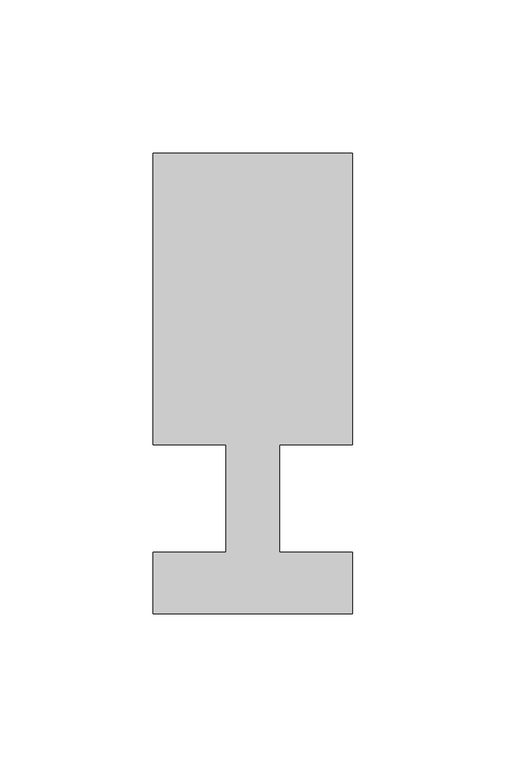
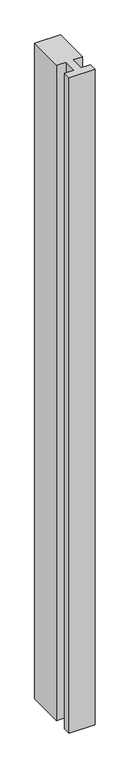
"""IFC4 building model written with IfcOpenShell, lengths in millimetres: member geometry."""

import ifcopenshell
import ifcopenshell.guid

model = None  # the IFC model being written
_history = None  # IfcOwnerHistory: only IFC2X3 demands one
_inside = {}  # id of a spatial element -> (the spatial element, [elements in it])
_under = {}  # id of a project, library or spatial element -> (it, [spatial elements below it])
_declared = {}  # id of a project -> (the project, [libraries it declares])
_typed = {}  # id of a type object -> (the type object, [elements of that type])
_made_of = {}  # id of a material, layer set ... -> (it, [elements and type objects made of it])


def new_model(schema):
    """Start an empty IFC model of exactly this schema.

    Asked for "IFC4X3", IfcOpenShell would pick the latest addendum, in which some entities
    have other attributes; the version numbers below select the first issue.
    IFC2X3 requires an IfcOwnerHistory on every rooted entity: one is made here for all.
    """
    global model, _history
    if schema == "IFC4X3":
        model = ifcopenshell.file(schema_version=(4, 3, 0, 0))
    else:
        model = ifcopenshell.file(schema=schema)
    _inside.clear()
    _under.clear()
    _declared.clear()
    _typed.clear()
    _made_of.clear()
    _history = None
    if model.schema == "IFC2X3":
        org = make("IfcOrganization", Name="unknown")
        user = make(
            "IfcPersonAndOrganization",
            ThePerson=make("IfcPerson", FamilyName="unknown"),
            TheOrganization=org,
        )
        app = make(
            "IfcApplication",
            ApplicationDeveloper=org,
            Version="unknown",
            ApplicationFullName="unknown",
            ApplicationIdentifier="unknown",
        )
        _history = make(
            "IfcOwnerHistory",
            OwningUser=user,
            OwningApplication=app,
            ChangeAction="ADDED",
            CreationDate=0,
        )
    return model


def make(cls, **values):
    """One entity of the class cls with the attributes given. An attribute that is None is left unset."""
    return model.create_entity(
        cls, **{name: value for name, value in values.items() if value is not None}
    )


def rooted(cls, **values):
    """An entity with a GlobalId (a new one), such as an element, a storey or a relation."""
    return make(cls, GlobalId=ifcopenshell.guid.new(), OwnerHistory=_history, **values)


def si_unit(unit_type, name, prefix=None):
    """IfcSIUnit, for example si_unit("LENGTHUNIT", "METRE", prefix="MILLI")."""
    return make("IfcSIUnit", UnitType=unit_type, Prefix=prefix, Name=name)


def assignment(units):
    """IfcUnitAssignment: the units of a project."""
    return None if units is None else make("IfcUnitAssignment", Units=units)


def point(xyz):
    """IfcCartesianPoint."""
    return None if xyz is None else make("IfcCartesianPoint", Coordinates=xyz)


def direction(xyz):
    """IfcDirection."""
    return None if xyz is None else make("IfcDirection", DirectionRatios=xyz)


def frame(location, z_axis=None, x_axis=None):
    """IfcAxis2Placement3D, a coordinate frame: its origin and axes. An axis left out is left unset."""
    return make(
        "IfcAxis2Placement3D",
        Location=point(location),
        Axis=direction(z_axis),
        RefDirection=direction(x_axis),
    )


def origin():
    """The frame at (0, 0, 0) with its axes left unset."""
    return frame((0.0, 0.0, 0.0))


def place(relative_to, where):
    """IfcLocalPlacement: puts the frame where relative to a parent placement (None: the world)."""
    return make(
        "IfcLocalPlacement", PlacementRelTo=relative_to, RelativePlacement=where
    )


def context(
    kind, dimensions, precision=None, world=None, true_north=None, identifier=None
):
    """IfcGeometricRepresentationContext, for example the 3D "Model" context."""
    return make(
        "IfcGeometricRepresentationContext",
        ContextIdentifier=identifier,
        ContextType=kind,
        CoordinateSpaceDimension=dimensions,
        Precision=precision,
        WorldCoordinateSystem=world,
        TrueNorth=true_north,
    )


def project(units=None, contexts=None):
    """IfcProject with its units and contexts."""
    return rooted(
        "IfcProject",
        Name="project",
        RepresentationContexts=contexts,
        UnitsInContext=assignment(units),
    )


def spatial(cls, under=None, at=None, **own):
    """A site, building, storey or space (cls), placed at a placement, below another one or the project."""
    s = rooted(cls, ObjectPlacement=at, **own)
    if under is not None:
        _under.setdefault(under.id(), (under, []))[1].append(s)
    return s


def polyline(points):
    """IfcPolyline through the points."""
    return make("IfcPolyline", Points=[point(p) for p in points])


def outline(outer, holes=None, kind="AREA"):
    """IfcArbitraryClosedProfileDef: a profile drawn as a closed curve; with holes, ...WithVoids."""
    if holes is None:
        return make("IfcArbitraryClosedProfileDef", ProfileType=kind, OuterCurve=outer)
    return make(
        "IfcArbitraryProfileDefWithVoids",
        ProfileType=kind,
        OuterCurve=outer,
        InnerCurves=holes,
    )


def extrude(swept, where, along, depth):
    """IfcExtrudedAreaSolid: the profile swept, set in the frame where, extruded along a direction by depth."""
    return make(
        "IfcExtrudedAreaSolid",
        SweptArea=swept,
        Position=where,
        ExtrudedDirection=direction(along),
        Depth=depth,
    )


def shape(context_of_items, identifier, shape_type, items):
    """IfcShapeRepresentation: the items that make up one representation, for example the "Body"."""
    return make(
        "IfcShapeRepresentation",
        ContextOfItems=context_of_items,
        RepresentationIdentifier=identifier,
        RepresentationType=shape_type,
        Items=items,
    )


def source(mapping_origin, context_of_items, identifier, shape_type, items):
    """IfcRepresentationMap: a shape defined once, which mapped items show again and again."""
    return make(
        "IfcRepresentationMap",
        MappingOrigin=mapping_origin,
        MappedRepresentation=shape(context_of_items, identifier, shape_type, items),
    )


def transform(
    local_origin,
    x_axis=None,
    y_axis=None,
    z_axis=None,
    scale=None,
    scale2=None,
    scale3=None,
    uniform=True,
):
    """IfcCartesianTransformationOperator3D, or its non-uniform kind. x_axis, y_axis, z_axis: its Axis1, 2, 3."""
    if uniform:
        return make(
            "IfcCartesianTransformationOperator3D",
            Axis1=direction(x_axis),
            Axis2=direction(y_axis),
            LocalOrigin=point(local_origin),
            Scale=scale,
            Axis3=direction(z_axis),
        )
    return make(
        "IfcCartesianTransformationOperator3DnonUniform",
        Axis1=direction(x_axis),
        Axis2=direction(y_axis),
        LocalOrigin=point(local_origin),
        Scale=scale,
        Axis3=direction(z_axis),
        Scale2=scale2,
        Scale3=scale3,
    )


def mapped(mapping_source, mapping_target):
    """IfcMappedItem: shows the shape of a source again, moved by a transform."""
    return make(
        "IfcMappedItem", MappingSource=mapping_source, MappingTarget=mapping_target
    )


def made_of(thing, what):
    """Note that an element or type object is made of a material, layer set ...; save() writes the relation."""
    if what is not None:
        _made_of.setdefault(what.id(), (what, []))[1].append(thing)
    return thing


def element(
    cls,
    number,
    at=None,
    inside=None,
    cuts=None,
    type_object=None,
    material=None,
    context=None,
    identifier="Body",
    shape_type=None,
    held_by="IfcProductDefinitionShape",
    body=None,
    shapes=None,
    **own,
):
    """One element of the class cls, such as IfcWall. Its Tag is "e" and its number.

    at: its placement. inside: the storey or other place that contains it. cuts: it is an
    opening in that element (IfcRelVoidsElement). A single representation is given by context,
    identifier, shape_type and body (its items); several are given by shapes. held_by: the class
    of the entity that holds the representations. save() writes the other relations.
    """
    e = rooted(cls, Tag="e%d" % number, ObjectPlacement=at, **own)
    if body is not None:
        shapes = [shape(context, identifier, shape_type, body)]
    if shapes is not None:
        e.Representation = make(held_by, Representations=shapes)
    if inside is not None:
        _inside.setdefault(inside.id(), (inside, []))[1].append(e)
    if cuts is not None:
        rooted(
            "IfcRelVoidsElement", RelatingBuildingElement=cuts, RelatedOpeningElement=e
        )
    if type_object is not None:
        _typed.setdefault(type_object.id(), (type_object, []))[1].append(e)
    return made_of(e, material)


def aggregate(whole, parts):
    """IfcRelAggregates: a whole, such as a stair, and the parts it consists of."""
    return rooted("IfcRelAggregates", RelatingObject=whole, RelatedObjects=parts)


def save(model, path):
    """Write the relations noted so far, then the file.

    IfcRelAggregates (storeys below a building ...), IfcRelContainedInSpatialStructure (elements
    in a storey), IfcRelDefinesByType, IfcRelAssociatesMaterial and IfcRelDeclares: one each for
    every whole, place, type object, material and project.
    """
    for whole, parts in _under.values():
        aggregate(whole, parts)
    for where, things in _inside.values():
        rooted(
            "IfcRelContainedInSpatialStructure",
            RelatedElements=things,
            RelatingStructure=where,
        )
    for kind, things in _typed.values():
        rooted("IfcRelDefinesByType", RelatedObjects=things, RelatingType=kind)
    for what, things in _made_of.values():
        rooted("IfcRelAssociatesMaterial", RelatedObjects=things, RelatingMaterial=what)
    for by, libraries in _declared.values():
        rooted("IfcRelDeclares", RelatingContext=by, RelatedDefinitions=libraries)
    model.write(path)


def member_152a4b01(model_context):
    return source(origin(), model_context, "Body", "SweptSolid", [
        extrude(outline(polyline([(0.0, -37.0), (-65.0, -37.0), (-65.0, -17.0), (-41.1875, -17.0), (-41.1875, 18.0), (-65.0, 18.0), (-65.0, 113.0), (0.0, 113.0), (0.0, 18.0), (-23.8125, 18.0), (-23.8125, -17.0), (0.0, -17.0), (0.0, -37.0)])), frame((0.0, 0.0, -1740.0), z_axis=(0.0, 0.0, 1.0), x_axis=(1.0, 0.0, 0.0)), (0.0, 0.0, 1.0), 1740.0),
    ])


if __name__ == "__main__":
    model = new_model("IFC4")
    model_context = context("Model", 3, world=origin())
    ifc_project = project(units=[si_unit("LENGTHUNIT", "METRE", prefix="MILLI")], contexts=[model_context])
    site = spatial("IfcSite", under=ifc_project)
    building = spatial("IfcBuilding", under=site)
    placement = place(None, origin())
    member_shape = member_152a4b01(model_context)
    element("IfcMember", 1, at=placement, inside=building, context=model_context, shape_type="MappedRepresentation", body=[
        mapped(member_shape, transform((0.0, 0.0, 0.0), x_axis=(1.0, 0.0, 0.0), y_axis=(0.0, 1.0, 0.0), z_axis=(0.0, 0.0, 1.0))),
    ])
    save(model, "model.ifc")
